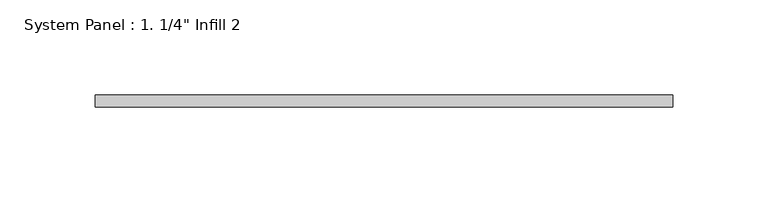
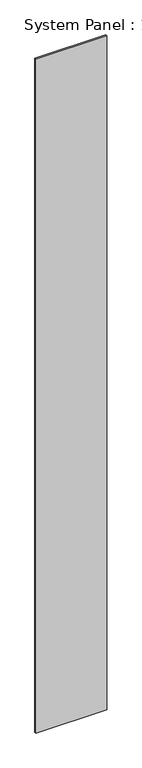
"""IFC4 building model written with IfcOpenShell, lengths in millimetres: plate geometry."""

from ifc_helpers import new_model, si_unit, origin, origin_with_axes, place, context, project, spatial, polyline, outline, extrude, source, transform, mapped, element, save


def plate_8b3a002f(model_context):
    return source(origin(), model_context, "Body", "SweptSolid", [
        extrude(outline(polyline([(152.0477676, -6.35), (-152.0477676, -6.35), (-152.0477676, 0.0), (152.0477676, 0.0), (152.0477676, -6.35)])), origin_with_axes(), (0.0, 0.0, 1.0), 3048.0),
    ])


if __name__ == "__main__":
    model = new_model("IFC4")
    model_context = context("Model", 3, world=origin())
    ifc_project = project(units=[si_unit("LENGTHUNIT", "METRE", prefix="MILLI")], contexts=[model_context])
    site = spatial("IfcSite", under=ifc_project)
    building = spatial("IfcBuilding", under=site)
    placement = place(None, origin())
    plate_shape = plate_8b3a002f(model_context)
    element("IfcPlate", 1, ObjectType="System Panel : 1. 1/4\" Infill 2", at=placement, inside=building, context=model_context, shape_type="MappedRepresentation", body=[
        mapped(plate_shape, transform((0.0, 0.0, 0.0), x_axis=(1.0, 0.0, 0.0), y_axis=(0.0, 1.0, 0.0), z_axis=(0.0, 0.0, 1.0))),
    ])
    save(model, "model.ifc")
